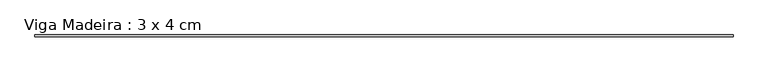
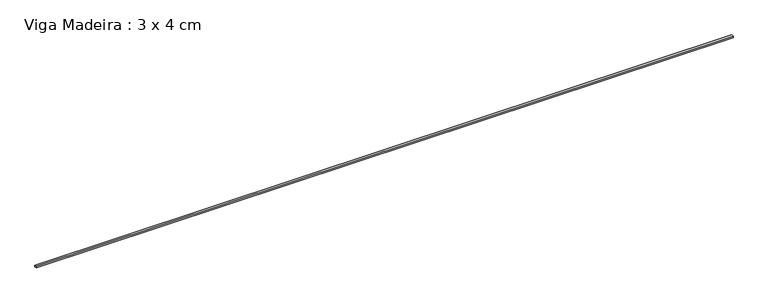
"""IFC4 building model written with IfcOpenShell, lengths in millimetres: beam geometry, Viga Madeira : 3 x 4 cm."""

from ifc_helpers import new_model, si_unit, frame, origin, place, context, project, spatial, polyline, outline, extrude, source, transform, mapped, element, save


def viga_madeira_3_x_4_cm_c25bc040(model_context):
    return source(origin(), model_context, "Body", "SweptSolid", [
        extrude(outline(polyline([(6794.3041693, 20.0), (6794.3041693, -20.0), (-6794.3041693, -20.0), (-6794.3041693, 20.0), (6794.3041693, 20.0)])), frame((0.0, 0.0, -15.0), z_axis=(0.0, 0.0, 1.0), x_axis=(1.0, 0.0, 0.0)), (0.0, 0.0, 1.0), 30.0),
    ])


if __name__ == "__main__":
    model = new_model("IFC4")
    model_context = context("Model", 3, world=origin())
    ifc_project = project(units=[si_unit("LENGTHUNIT", "METRE", prefix="MILLI")], contexts=[model_context])
    site = spatial("IfcSite", under=ifc_project)
    building = spatial("IfcBuilding", under=site)
    placement = place(None, origin())
    viga_madeira_3_x_4_cm_shape = viga_madeira_3_x_4_cm_c25bc040(model_context)
    element("IfcBeam", 1, ObjectType="Viga Madeira : 3 x 4 cm", at=placement, inside=building, context=model_context, shape_type="MappedRepresentation", body=[
        mapped(viga_madeira_3_x_4_cm_shape, transform((0.0, 0.0, 0.0), x_axis=(1.0, 0.0, 0.0), y_axis=(0.0, 1.0, 0.0), z_axis=(0.0, 0.0, 1.0))),
    ])
    save(model, "model.ifc")
